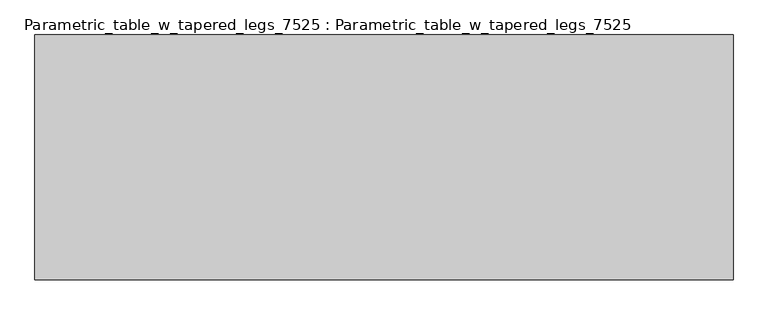
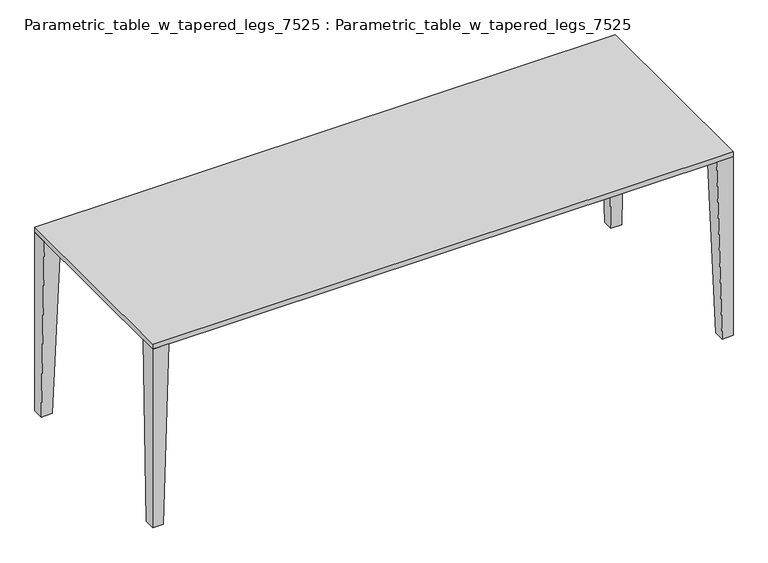
"""IFC4 building model written with IfcOpenShell, lengths in millimetres: furniture geometry, Parametric_table_w_tapered_legs_7525 : Parametric_table_w_tapered_legs_7525."""

from ifc_helpers import new_model, si_unit, frame, origin, place, context, project, spatial, polyline, outline, extrude, faceted_brep, source, transform, mapped, element, save


def parametric_table_w_tapered_legs_7525_parametric_table_w_960598c2(model_context):
    return source(origin(), model_context, "Body", "SolidModel", [
        faceted_brep([(1294.9566819, -472.277423, 0.0), (1294.9566819, -421.477423, 0.0), (1345.7566819, -421.477423, 0.0), (1345.7566819, -472.277423, 0.0), (1269.5566819, -472.277423, 874.6), (1345.7566819, -472.277423, 874.6), (1345.7566819, -396.077423, 874.6), (1269.5566819, -396.077423, 874.6)], [[[0, 1, 2, 3]], [[4, 5, 6, 7]], [[4, 7, 1, 0]], [[7, 6, 2, 1]], [[6, 5, 3, 2]], [[5, 4, 0, 3]]]),
        faceted_brep([(-1294.9566819, -472.277423, 0.0), (-1345.7566819, -472.277423, 0.0), (-1345.7566819, -421.477423, 0.0), (-1294.9566819, -421.477423, 0.0), (-1269.5566819, -472.277423, 874.6), (-1269.5566819, -396.077423, 874.6), (-1345.7566819, -396.077423, 874.6), (-1345.7566819, -472.277423, 874.6)], [[[0, 1, 2, 3]], [[4, 5, 6, 7]], [[5, 4, 0, 3]], [[6, 5, 3, 2]], [[7, 6, 2, 1]], [[4, 7, 1, 0]]]),
        faceted_brep([(1294.9566819, 472.277423, 0.0), (1345.7566819, 472.277423, 0.0), (1345.7566819, 421.477423, 0.0), (1294.9566819, 421.477423, 0.0), (1269.5566819, 472.277423, 874.6), (1269.5566819, 396.077423, 874.6), (1345.7566819, 396.077423, 874.6), (1345.7566819, 472.277423, 874.6)], [[[0, 1, 2, 3]], [[4, 5, 6, 7]], [[5, 4, 0, 3]], [[6, 5, 3, 2]], [[7, 6, 2, 1]], [[4, 7, 1, 0]]]),
        faceted_brep([(-1294.9566819, 472.277423, 0.0), (-1294.9566819, 421.477423, 0.0), (-1345.7566819, 421.477423, 0.0), (-1345.7566819, 472.277423, 0.0), (-1269.5566819, 472.277423, 874.6), (-1345.7566819, 472.277423, 874.6), (-1345.7566819, 396.077423, 874.6), (-1269.5566819, 396.077423, 874.6)], [[[0, 1, 2, 3]], [[4, 5, 6, 7]], [[4, 7, 1, 0]], [[7, 6, 2, 1]], [[6, 5, 3, 2]], [[5, 4, 0, 3]]]),
        extrude(outline(polyline([(1345.7566819, -472.277423), (-1345.7566819, -472.277423), (-1345.7566819, 472.277423), (1345.7566819, 472.277423), (1345.7566819, -472.277423)])), frame((0.0, 0.0, 874.6), z_axis=(0.0, 0.0, 1.0), x_axis=(1.0, 0.0, 0.0)), (0.0, 0.0, 1.0), 25.4),
    ])


if __name__ == "__main__":
    model = new_model("IFC4")
    model_context = context("Model", 3, world=origin())
    ifc_project = project(units=[si_unit("LENGTHUNIT", "METRE", prefix="MILLI")], contexts=[model_context])
    site = spatial("IfcSite", under=ifc_project)
    building = spatial("IfcBuilding", under=site)
    placement = place(None, origin())
    parametric_table_w_tapered_legs_7525_parametric_table_w_shape = parametric_table_w_tapered_legs_7525_parametric_table_w_960598c2(model_context)
    element("IfcFurniture", 1, ObjectType="Parametric_table_w_tapered_legs_7525 : Parametric_table_w_tapered_legs_7525", at=placement, inside=building, context=model_context, shape_type="MappedRepresentation", body=[
        mapped(parametric_table_w_tapered_legs_7525_parametric_table_w_shape, transform((0.0, 0.0, 0.0), x_axis=(1.0, 0.0, 0.0), y_axis=(0.0, 1.0, 0.0), z_axis=(0.0, 0.0, 1.0))),
    ])
    save(model, "model.ifc")
